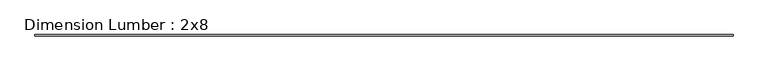
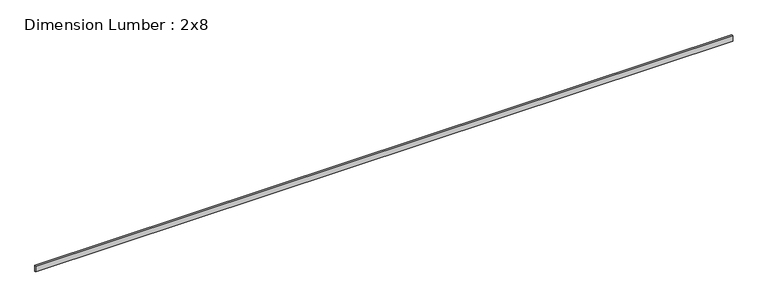
"""IFC4 building model written with IfcOpenShell, lengths in millimetres: beam geometry, Dimension Lumber : 2x8."""

from ifc_helpers import new_model, si_unit, frame, origin, place, context, project, spatial, polyline, outline, extrude, source, transform, mapped, element, save


def dimension_lumber_2x8_d23655f7(model_context):
    return source(origin(), model_context, "Body", "SweptSolid", [
        extrude(outline(polyline([(10766.2447604, 19.05), (10766.2447604, -19.05), (-10766.2447604, -19.05), (-10766.2447604, 19.05), (10766.2447604, 19.05)])), frame((0.0, 0.0, -92.075), z_axis=(0.0, 0.0, 1.0), x_axis=(1.0, 0.0, 0.0)), (0.0, 0.0, 1.0), 184.15),
    ])


if __name__ == "__main__":
    model = new_model("IFC4")
    model_context = context("Model", 3, world=origin())
    ifc_project = project(units=[si_unit("LENGTHUNIT", "METRE", prefix="MILLI")], contexts=[model_context])
    site = spatial("IfcSite", under=ifc_project)
    building = spatial("IfcBuilding", under=site)
    placement = place(None, origin())
    dimension_lumber_2x8_shape = dimension_lumber_2x8_d23655f7(model_context)
    element("IfcBeam", 1, ObjectType="Dimension Lumber : 2x8", at=placement, inside=building, context=model_context, shape_type="MappedRepresentation", body=[
        mapped(dimension_lumber_2x8_shape, transform((0.0, 0.0, 0.0), x_axis=(1.0, 0.0, 0.0), y_axis=(0.0, 1.0, 0.0), z_axis=(0.0, 0.0, 1.0))),
    ])
    save(model, "model.ifc")
